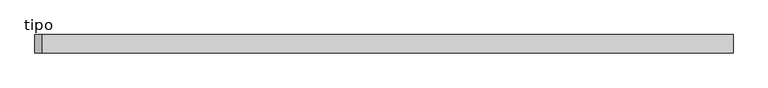
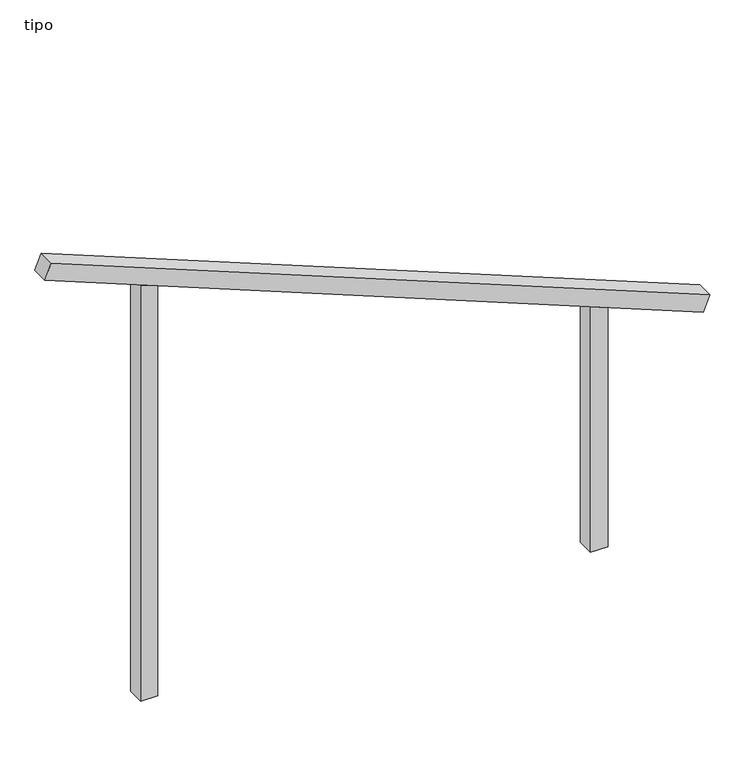
"""IFC4 building model written with IfcOpenShell, lengths in millimetres: proxy geometry, tipo."""

from ifc_helpers import new_model, si_unit, frame, origin, place, context, project, spatial, polyline, outline, extrude, source, transform, mapped, element, save


def tipo_1a8927a1(model_context):
    return source(origin(), model_context, "Body", "SweptSolid", [
        extrude(outline(polyline([(0.0, -4099.9999999), (0.0, 0.0), (100.0, 0.0), (100.0, -4099.9999999), (0.0, -4099.9999999)])), frame((-1902.6487817, -100.0, 2763.1694526), z_axis=(0.37227778174202625, 0.0, 0.9281213569470516), x_axis=(0.0, 1.0, 0.0)), (0.0, 0.0, 1.0), 100.0),
        extrude(outline(polyline([(1458.5029193, 1350.0), (1498.6138141, 1250.0), (0.0, 1250.0), (0.0, 1350.0), (1458.5029193, 1350.0)])), frame((0.0, -100.0, 0.0), z_axis=(0.0, 1.0, 0.0), x_axis=(0.0, 0.0, 1.0)), (0.0, 0.0, 1.0), 100.0),
        extrude(outline(polyline([(2541.4970807, -1350.0), (0.0, -1350.0), (0.0, -1250.0), (2501.3861859, -1250.0), (2541.4970807, -1350.0)])), frame((0.0, -100.0, 0.0), z_axis=(0.0, 1.0, 0.0), x_axis=(0.0, 0.0, 1.0)), (0.0, 0.0, 1.0), 100.0),
    ])


if __name__ == "__main__":
    model = new_model("IFC4")
    model_context = context("Model", 3, world=origin())
    ifc_project = project(units=[si_unit("LENGTHUNIT", "METRE", prefix="MILLI")], contexts=[model_context])
    site = spatial("IfcSite", under=ifc_project)
    building = spatial("IfcBuilding", under=site)
    placement = place(None, origin())
    tipo_shape = tipo_1a8927a1(model_context)
    element("IfcBuildingElementProxy", 1, Name="tipo", ObjectType="tipo", at=placement, inside=building, context=model_context, shape_type="MappedRepresentation", body=[
        mapped(tipo_shape, transform((0.0, 0.0, 0.0), x_axis=(1.0, 0.0, 0.0), y_axis=(0.0, 1.0, 0.0), z_axis=(0.0, 0.0, 1.0))),
    ])
    save(model, "model.ifc")
